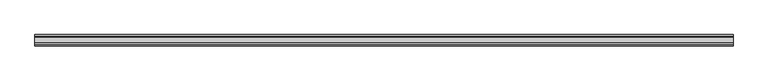
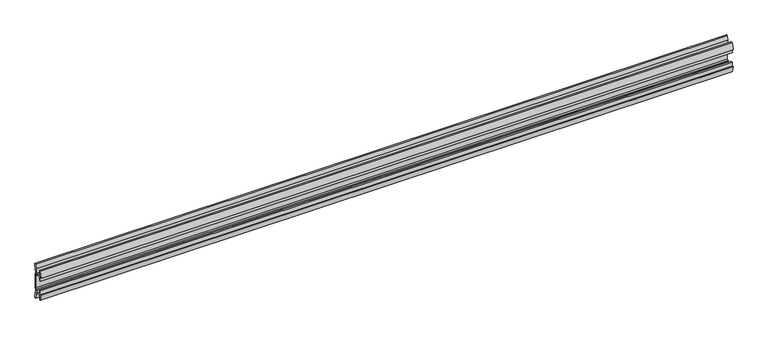
"""IFC4 building model written with IfcOpenShell, lengths in millimetres: furniture geometry."""

import ifcopenshell
import ifcopenshell.guid

model = None  # the IFC model being written
_history = None  # IfcOwnerHistory: only IFC2X3 demands one
_inside = {}  # id of a spatial element -> (the spatial element, [elements in it])
_under = {}  # id of a project, library or spatial element -> (it, [spatial elements below it])
_declared = {}  # id of a project -> (the project, [libraries it declares])
_typed = {}  # id of a type object -> (the type object, [elements of that type])
_made_of = {}  # id of a material, layer set ... -> (it, [elements and type objects made of it])


def new_model(schema):
    """Start an empty IFC model of exactly this schema.

    Asked for "IFC4X3", IfcOpenShell would pick the latest addendum, in which some entities
    have other attributes; the version numbers below select the first issue.
    IFC2X3 requires an IfcOwnerHistory on every rooted entity: one is made here for all.
    """
    global model, _history
    if schema == "IFC4X3":
        model = ifcopenshell.file(schema_version=(4, 3, 0, 0))
    else:
        model = ifcopenshell.file(schema=schema)
    _inside.clear()
    _under.clear()
    _declared.clear()
    _typed.clear()
    _made_of.clear()
    _history = None
    if model.schema == "IFC2X3":
        org = make("IfcOrganization", Name="unknown")
        user = make(
            "IfcPersonAndOrganization",
            ThePerson=make("IfcPerson", FamilyName="unknown"),
            TheOrganization=org,
        )
        app = make(
            "IfcApplication",
            ApplicationDeveloper=org,
            Version="unknown",
            ApplicationFullName="unknown",
            ApplicationIdentifier="unknown",
        )
        _history = make(
            "IfcOwnerHistory",
            OwningUser=user,
            OwningApplication=app,
            ChangeAction="ADDED",
            CreationDate=0,
        )
    return model


def make(cls, **values):
    """One entity of the class cls with the attributes given. An attribute that is None is left unset."""
    return model.create_entity(
        cls, **{name: value for name, value in values.items() if value is not None}
    )


def rooted(cls, **values):
    """An entity with a GlobalId (a new one), such as an element, a storey or a relation."""
    return make(cls, GlobalId=ifcopenshell.guid.new(), OwnerHistory=_history, **values)


def si_unit(unit_type, name, prefix=None):
    """IfcSIUnit, for example si_unit("LENGTHUNIT", "METRE", prefix="MILLI")."""
    return make("IfcSIUnit", UnitType=unit_type, Prefix=prefix, Name=name)


def assignment(units):
    """IfcUnitAssignment: the units of a project."""
    return None if units is None else make("IfcUnitAssignment", Units=units)


def point(xyz):
    """IfcCartesianPoint."""
    return None if xyz is None else make("IfcCartesianPoint", Coordinates=xyz)


def direction(xyz):
    """IfcDirection."""
    return None if xyz is None else make("IfcDirection", DirectionRatios=xyz)


def frame(location, z_axis=None, x_axis=None):
    """IfcAxis2Placement3D, a coordinate frame: its origin and axes. An axis left out is left unset."""
    return make(
        "IfcAxis2Placement3D",
        Location=point(location),
        Axis=direction(z_axis),
        RefDirection=direction(x_axis),
    )


def frame_2d(location, x_axis=None):
    """IfcAxis2Placement2D, a coordinate frame in the plane: its origin and x axis."""
    return make(
        "IfcAxis2Placement2D", Location=point(location), RefDirection=direction(x_axis)
    )


def origin():
    """The frame at (0, 0, 0) with its axes left unset."""
    return frame((0.0, 0.0, 0.0))


def place(relative_to, where):
    """IfcLocalPlacement: puts the frame where relative to a parent placement (None: the world)."""
    return make(
        "IfcLocalPlacement", PlacementRelTo=relative_to, RelativePlacement=where
    )


def context(
    kind, dimensions, precision=None, world=None, true_north=None, identifier=None
):
    """IfcGeometricRepresentationContext, for example the 3D "Model" context."""
    return make(
        "IfcGeometricRepresentationContext",
        ContextIdentifier=identifier,
        ContextType=kind,
        CoordinateSpaceDimension=dimensions,
        Precision=precision,
        WorldCoordinateSystem=world,
        TrueNorth=true_north,
    )


def project(units=None, contexts=None):
    """IfcProject with its units and contexts."""
    return rooted(
        "IfcProject",
        Name="project",
        RepresentationContexts=contexts,
        UnitsInContext=assignment(units),
    )


def spatial(cls, under=None, at=None, **own):
    """A site, building, storey or space (cls), placed at a placement, below another one or the project."""
    s = rooted(cls, ObjectPlacement=at, **own)
    if under is not None:
        _under.setdefault(under.id(), (under, []))[1].append(s)
    return s


def polyline(points):
    """IfcPolyline through the points."""
    return make("IfcPolyline", Points=[point(p) for p in points])


def circle_curve(where, radius):
    """IfcCircle in the frame where."""
    return make("IfcCircle", Position=where, Radius=radius)


def trimmed(basis, trim1, trim2, sense, master):
    """IfcTrimmedCurve: the piece of a basis curve between two trims."""
    return make(
        "IfcTrimmedCurve",
        BasisCurve=basis,
        Trim1=trim1,
        Trim2=trim2,
        SenseAgreement=sense,
        MasterRepresentation=master,
    )


def segment(curve, same_sense, transition):
    """IfcCompositeCurveSegment."""
    return make(
        "IfcCompositeCurveSegment",
        Transition=transition,
        SameSense=same_sense,
        ParentCurve=curve,
    )


def composite_curve(segments, self_intersect=None):
    """IfcCompositeCurve: segments joined end to end."""
    return make("IfcCompositeCurve", Segments=segments, SelfIntersect=self_intersect)


def outline(outer, holes=None, kind="AREA"):
    """IfcArbitraryClosedProfileDef: a profile drawn as a closed curve; with holes, ...WithVoids."""
    if holes is None:
        return make("IfcArbitraryClosedProfileDef", ProfileType=kind, OuterCurve=outer)
    return make(
        "IfcArbitraryProfileDefWithVoids",
        ProfileType=kind,
        OuterCurve=outer,
        InnerCurves=holes,
    )


def extrude(swept, where, along, depth):
    """IfcExtrudedAreaSolid: the profile swept, set in the frame where, extruded along a direction by depth."""
    return make(
        "IfcExtrudedAreaSolid",
        SweptArea=swept,
        Position=where,
        ExtrudedDirection=direction(along),
        Depth=depth,
    )


def shape(context_of_items, identifier, shape_type, items):
    """IfcShapeRepresentation: the items that make up one representation, for example the "Body"."""
    return make(
        "IfcShapeRepresentation",
        ContextOfItems=context_of_items,
        RepresentationIdentifier=identifier,
        RepresentationType=shape_type,
        Items=items,
    )


def source(mapping_origin, context_of_items, identifier, shape_type, items):
    """IfcRepresentationMap: a shape defined once, which mapped items show again and again."""
    return make(
        "IfcRepresentationMap",
        MappingOrigin=mapping_origin,
        MappedRepresentation=shape(context_of_items, identifier, shape_type, items),
    )


def transform(
    local_origin,
    x_axis=None,
    y_axis=None,
    z_axis=None,
    scale=None,
    scale2=None,
    scale3=None,
    uniform=True,
):
    """IfcCartesianTransformationOperator3D, or its non-uniform kind. x_axis, y_axis, z_axis: its Axis1, 2, 3."""
    if uniform:
        return make(
            "IfcCartesianTransformationOperator3D",
            Axis1=direction(x_axis),
            Axis2=direction(y_axis),
            LocalOrigin=point(local_origin),
            Scale=scale,
            Axis3=direction(z_axis),
        )
    return make(
        "IfcCartesianTransformationOperator3DnonUniform",
        Axis1=direction(x_axis),
        Axis2=direction(y_axis),
        LocalOrigin=point(local_origin),
        Scale=scale,
        Axis3=direction(z_axis),
        Scale2=scale2,
        Scale3=scale3,
    )


def mapped(mapping_source, mapping_target):
    """IfcMappedItem: shows the shape of a source again, moved by a transform."""
    return make(
        "IfcMappedItem", MappingSource=mapping_source, MappingTarget=mapping_target
    )


def made_of(thing, what):
    """Note that an element or type object is made of a material, layer set ...; save() writes the relation."""
    if what is not None:
        _made_of.setdefault(what.id(), (what, []))[1].append(thing)
    return thing


def element(
    cls,
    number,
    at=None,
    inside=None,
    cuts=None,
    type_object=None,
    material=None,
    context=None,
    identifier="Body",
    shape_type=None,
    held_by="IfcProductDefinitionShape",
    body=None,
    shapes=None,
    **own,
):
    """One element of the class cls, such as IfcWall. Its Tag is "e" and its number.

    at: its placement. inside: the storey or other place that contains it. cuts: it is an
    opening in that element (IfcRelVoidsElement). A single representation is given by context,
    identifier, shape_type and body (its items); several are given by shapes. held_by: the class
    of the entity that holds the representations. save() writes the other relations.
    """
    e = rooted(cls, Tag="e%d" % number, ObjectPlacement=at, **own)
    if body is not None:
        shapes = [shape(context, identifier, shape_type, body)]
    if shapes is not None:
        e.Representation = make(held_by, Representations=shapes)
    if inside is not None:
        _inside.setdefault(inside.id(), (inside, []))[1].append(e)
    if cuts is not None:
        rooted(
            "IfcRelVoidsElement", RelatingBuildingElement=cuts, RelatedOpeningElement=e
        )
    if type_object is not None:
        _typed.setdefault(type_object.id(), (type_object, []))[1].append(e)
    return made_of(e, material)


def aggregate(whole, parts):
    """IfcRelAggregates: a whole, such as a stair, and the parts it consists of."""
    return rooted("IfcRelAggregates", RelatingObject=whole, RelatedObjects=parts)


def save(model, path):
    """Write the relations noted so far, then the file.

    IfcRelAggregates (storeys below a building ...), IfcRelContainedInSpatialStructure (elements
    in a storey), IfcRelDefinesByType, IfcRelAssociatesMaterial and IfcRelDeclares: one each for
    every whole, place, type object, material and project.
    """
    for whole, parts in _under.values():
        aggregate(whole, parts)
    for where, things in _inside.values():
        rooted(
            "IfcRelContainedInSpatialStructure",
            RelatedElements=things,
            RelatingStructure=where,
        )
    for kind, things in _typed.values():
        rooted("IfcRelDefinesByType", RelatedObjects=things, RelatingType=kind)
    for what, things in _made_of.values():
        rooted("IfcRelAssociatesMaterial", RelatedObjects=things, RelatingMaterial=what)
    for by, libraries in _declared.values():
        rooted("IfcRelDeclares", RelatingContext=by, RelatedDefinitions=libraries)
    model.write(path)


def furniture_48272bcc(model_context):
    return source(origin(), model_context, "Body", "SweptSolid", [
        extrude(outline(composite_curve([segment(polyline([(11.858323, 1787.0845986), (10.7166987, 1781.1251626)]), True, "CONTINUOUS"), segment(trimmed(circle_curve(frame_2d((88.1501042, 1766.291568)), 78.8414093), [point((10.7166987, 1781.1251626))], [point((9.4546262, 1771.0863112))], True, "CARTESIAN"), True, "CONTINUOUS"), segment(polyline([(9.4546262, 1771.0863112), (11.4773198, 1769.0636177), (11.4773198, 1736.1363823), (9.4546262, 1734.1136888)]), True, "CONTINUOUS"), segment(trimmed(circle_curve(frame_2d((88.1501042, 1738.908432)), 78.8414093), [point((9.4546262, 1734.1136888))], [point((10.7166987, 1724.0748374))], True, "CARTESIAN"), True, "CONTINUOUS"), segment(polyline([(10.7166987, 1724.0748374), (11.858323, 1718.1154014), (11.858323, 1714.5006449), (9.3183016, 1714.5006449), (7.5671861, 1723.641709), (6.9977776, 1730.3354675), (-5.9218281, 1730.3354675), (-5.9218281, 1719.7705449), (-8.4618484, 1719.7705449), (-11.7914971, 1733.2790462), (-8.4618484, 1732.2801511), (-8.4618484, 1741.8052306), (-5.9218281, 1741.8052306), (-5.9218281, 1732.915155), (6.7782802, 1732.915155), (6.7782802, 1735.469689), (8.8976323, 1737.3120136), (8.8976323, 1767.8910348), (6.7782802, 1769.7454685), (-5.2868484, 1769.7454685), (-5.2868484, 1763.3954144), (-8.4618484, 1763.3954144), (-8.4618484, 1772.9204939), (-11.858323, 1771.6504837), (-8.4618484, 1785.4301), (-5.2868484, 1785.4301), (-5.2868484, 1772.2854899), (6.7782802, 1772.2854899), (7.5671861, 1781.5595809), (9.3183016, 1790.7006449), (11.858323, 1790.7006449), (11.858323, 1787.0845986)]), True, "CONTINUOUS")], self_intersect=False)), frame((-736.6, 0.0, 0.0), z_axis=(1.0, 0.0, 0.0), x_axis=(0.0, 1.0, 0.0)), (0.0, 0.0, 1.0), 1473.2),
    ])


if __name__ == "__main__":
    model = new_model("IFC4")
    model_context = context("Model", 3, world=origin())
    ifc_project = project(units=[si_unit("LENGTHUNIT", "METRE", prefix="MILLI")], contexts=[model_context])
    site = spatial("IfcSite", under=ifc_project)
    building = spatial("IfcBuilding", under=site)
    placement = place(None, origin())
    furniture_shape = furniture_48272bcc(model_context)
    element("IfcFurniture", 1, at=placement, inside=building, context=model_context, shape_type="MappedRepresentation", body=[
        mapped(furniture_shape, transform((0.0, 0.0, 0.0), x_axis=(1.0, 0.0, 0.0), y_axis=(0.0, 1.0, 0.0), z_axis=(0.0, 0.0, 1.0))),
    ])
    save(model, "model.ifc")
